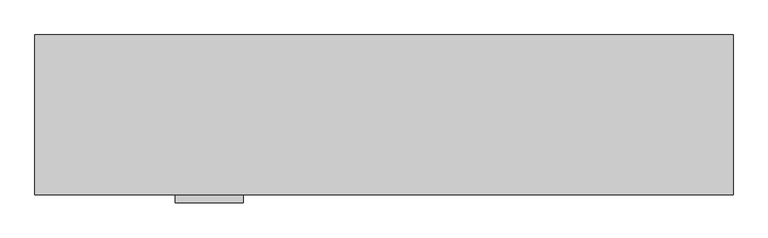
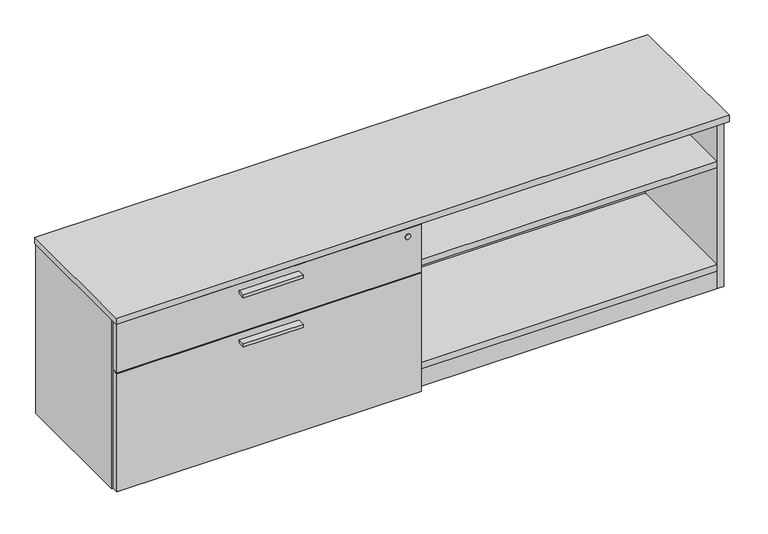
"""IFC4 building model written with IfcOpenShell, lengths in millimetres: furniture geometry."""

import ifcopenshell
import ifcopenshell.guid

model = None  # the IFC model being written
_history = None  # IfcOwnerHistory: only IFC2X3 demands one
_inside = {}  # id of a spatial element -> (the spatial element, [elements in it])
_under = {}  # id of a project, library or spatial element -> (it, [spatial elements below it])
_declared = {}  # id of a project -> (the project, [libraries it declares])
_typed = {}  # id of a type object -> (the type object, [elements of that type])
_made_of = {}  # id of a material, layer set ... -> (it, [elements and type objects made of it])


def new_model(schema):
    """Start an empty IFC model of exactly this schema.

    Asked for "IFC4X3", IfcOpenShell would pick the latest addendum, in which some entities
    have other attributes; the version numbers below select the first issue.
    IFC2X3 requires an IfcOwnerHistory on every rooted entity: one is made here for all.
    """
    global model, _history
    if schema == "IFC4X3":
        model = ifcopenshell.file(schema_version=(4, 3, 0, 0))
    else:
        model = ifcopenshell.file(schema=schema)
    _inside.clear()
    _under.clear()
    _declared.clear()
    _typed.clear()
    _made_of.clear()
    _history = None
    if model.schema == "IFC2X3":
        org = make("IfcOrganization", Name="unknown")
        user = make(
            "IfcPersonAndOrganization",
            ThePerson=make("IfcPerson", FamilyName="unknown"),
            TheOrganization=org,
        )
        app = make(
            "IfcApplication",
            ApplicationDeveloper=org,
            Version="unknown",
            ApplicationFullName="unknown",
            ApplicationIdentifier="unknown",
        )
        _history = make(
            "IfcOwnerHistory",
            OwningUser=user,
            OwningApplication=app,
            ChangeAction="ADDED",
            CreationDate=0,
        )
    return model


def make(cls, **values):
    """One entity of the class cls with the attributes given. An attribute that is None is left unset."""
    return model.create_entity(
        cls, **{name: value for name, value in values.items() if value is not None}
    )


def rooted(cls, **values):
    """An entity with a GlobalId (a new one), such as an element, a storey or a relation."""
    return make(cls, GlobalId=ifcopenshell.guid.new(), OwnerHistory=_history, **values)


def si_unit(unit_type, name, prefix=None):
    """IfcSIUnit, for example si_unit("LENGTHUNIT", "METRE", prefix="MILLI")."""
    return make("IfcSIUnit", UnitType=unit_type, Prefix=prefix, Name=name)


def assignment(units):
    """IfcUnitAssignment: the units of a project."""
    return None if units is None else make("IfcUnitAssignment", Units=units)


def point(xyz):
    """IfcCartesianPoint."""
    return None if xyz is None else make("IfcCartesianPoint", Coordinates=xyz)


def direction(xyz):
    """IfcDirection."""
    return None if xyz is None else make("IfcDirection", DirectionRatios=xyz)


def frame(location, z_axis=None, x_axis=None):
    """IfcAxis2Placement3D, a coordinate frame: its origin and axes. An axis left out is left unset."""
    return make(
        "IfcAxis2Placement3D",
        Location=point(location),
        Axis=direction(z_axis),
        RefDirection=direction(x_axis),
    )


def frame_2d(location, x_axis=None):
    """IfcAxis2Placement2D, a coordinate frame in the plane: its origin and x axis."""
    return make(
        "IfcAxis2Placement2D", Location=point(location), RefDirection=direction(x_axis)
    )


def origin():
    """The frame at (0, 0, 0) with its axes left unset."""
    return frame((0.0, 0.0, 0.0))


def origin_with_axes():
    """The frame at (0, 0, 0) with the z axis (0, 0, 1) and the x axis (1, 0, 0) written out."""
    return frame((0.0, 0.0, 0.0), z_axis=(0.0, 0.0, 1.0), x_axis=(1.0, 0.0, 0.0))


def place(relative_to, where):
    """IfcLocalPlacement: puts the frame where relative to a parent placement (None: the world)."""
    return make(
        "IfcLocalPlacement", PlacementRelTo=relative_to, RelativePlacement=where
    )


def context(
    kind, dimensions, precision=None, world=None, true_north=None, identifier=None
):
    """IfcGeometricRepresentationContext, for example the 3D "Model" context."""
    return make(
        "IfcGeometricRepresentationContext",
        ContextIdentifier=identifier,
        ContextType=kind,
        CoordinateSpaceDimension=dimensions,
        Precision=precision,
        WorldCoordinateSystem=world,
        TrueNorth=true_north,
    )


def project(units=None, contexts=None):
    """IfcProject with its units and contexts."""
    return rooted(
        "IfcProject",
        Name="project",
        RepresentationContexts=contexts,
        UnitsInContext=assignment(units),
    )


def spatial(cls, under=None, at=None, **own):
    """A site, building, storey or space (cls), placed at a placement, below another one or the project."""
    s = rooted(cls, ObjectPlacement=at, **own)
    if under is not None:
        _under.setdefault(under.id(), (under, []))[1].append(s)
    return s


def polyline(points):
    """IfcPolyline through the points."""
    return make("IfcPolyline", Points=[point(p) for p in points])


def circle_curve(where, radius):
    """IfcCircle in the frame where."""
    return make("IfcCircle", Position=where, Radius=radius)


def trimmed(basis, trim1, trim2, sense, master):
    """IfcTrimmedCurve: the piece of a basis curve between two trims."""
    return make(
        "IfcTrimmedCurve",
        BasisCurve=basis,
        Trim1=trim1,
        Trim2=trim2,
        SenseAgreement=sense,
        MasterRepresentation=master,
    )


def segment(curve, same_sense, transition):
    """IfcCompositeCurveSegment."""
    return make(
        "IfcCompositeCurveSegment",
        Transition=transition,
        SameSense=same_sense,
        ParentCurve=curve,
    )


def composite_curve(segments, self_intersect=None):
    """IfcCompositeCurve: segments joined end to end."""
    return make("IfcCompositeCurve", Segments=segments, SelfIntersect=self_intersect)


def outline(outer, holes=None, kind="AREA"):
    """IfcArbitraryClosedProfileDef: a profile drawn as a closed curve; with holes, ...WithVoids."""
    if holes is None:
        return make("IfcArbitraryClosedProfileDef", ProfileType=kind, OuterCurve=outer)
    return make(
        "IfcArbitraryProfileDefWithVoids",
        ProfileType=kind,
        OuterCurve=outer,
        InnerCurves=holes,
    )


def extrude(swept, where, along, depth):
    """IfcExtrudedAreaSolid: the profile swept, set in the frame where, extruded along a direction by depth."""
    return make(
        "IfcExtrudedAreaSolid",
        SweptArea=swept,
        Position=where,
        ExtrudedDirection=direction(along),
        Depth=depth,
    )


def shape(context_of_items, identifier, shape_type, items):
    """IfcShapeRepresentation: the items that make up one representation, for example the "Body"."""
    return make(
        "IfcShapeRepresentation",
        ContextOfItems=context_of_items,
        RepresentationIdentifier=identifier,
        RepresentationType=shape_type,
        Items=items,
    )


def source(mapping_origin, context_of_items, identifier, shape_type, items):
    """IfcRepresentationMap: a shape defined once, which mapped items show again and again."""
    return make(
        "IfcRepresentationMap",
        MappingOrigin=mapping_origin,
        MappedRepresentation=shape(context_of_items, identifier, shape_type, items),
    )


def transform(
    local_origin,
    x_axis=None,
    y_axis=None,
    z_axis=None,
    scale=None,
    scale2=None,
    scale3=None,
    uniform=True,
):
    """IfcCartesianTransformationOperator3D, or its non-uniform kind. x_axis, y_axis, z_axis: its Axis1, 2, 3."""
    if uniform:
        return make(
            "IfcCartesianTransformationOperator3D",
            Axis1=direction(x_axis),
            Axis2=direction(y_axis),
            LocalOrigin=point(local_origin),
            Scale=scale,
            Axis3=direction(z_axis),
        )
    return make(
        "IfcCartesianTransformationOperator3DnonUniform",
        Axis1=direction(x_axis),
        Axis2=direction(y_axis),
        LocalOrigin=point(local_origin),
        Scale=scale,
        Axis3=direction(z_axis),
        Scale2=scale2,
        Scale3=scale3,
    )


def mapped(mapping_source, mapping_target):
    """IfcMappedItem: shows the shape of a source again, moved by a transform."""
    return make(
        "IfcMappedItem", MappingSource=mapping_source, MappingTarget=mapping_target
    )


def made_of(thing, what):
    """Note that an element or type object is made of a material, layer set ...; save() writes the relation."""
    if what is not None:
        _made_of.setdefault(what.id(), (what, []))[1].append(thing)
    return thing


def element(
    cls,
    number,
    at=None,
    inside=None,
    cuts=None,
    type_object=None,
    material=None,
    context=None,
    identifier="Body",
    shape_type=None,
    held_by="IfcProductDefinitionShape",
    body=None,
    shapes=None,
    **own,
):
    """One element of the class cls, such as IfcWall. Its Tag is "e" and its number.

    at: its placement. inside: the storey or other place that contains it. cuts: it is an
    opening in that element (IfcRelVoidsElement). A single representation is given by context,
    identifier, shape_type and body (its items); several are given by shapes. held_by: the class
    of the entity that holds the representations. save() writes the other relations.
    """
    e = rooted(cls, Tag="e%d" % number, ObjectPlacement=at, **own)
    if body is not None:
        shapes = [shape(context, identifier, shape_type, body)]
    if shapes is not None:
        e.Representation = make(held_by, Representations=shapes)
    if inside is not None:
        _inside.setdefault(inside.id(), (inside, []))[1].append(e)
    if cuts is not None:
        rooted(
            "IfcRelVoidsElement", RelatingBuildingElement=cuts, RelatedOpeningElement=e
        )
    if type_object is not None:
        _typed.setdefault(type_object.id(), (type_object, []))[1].append(e)
    return made_of(e, material)


def aggregate(whole, parts):
    """IfcRelAggregates: a whole, such as a stair, and the parts it consists of."""
    return rooted("IfcRelAggregates", RelatingObject=whole, RelatedObjects=parts)


def save(model, path):
    """Write the relations noted so far, then the file.

    IfcRelAggregates (storeys below a building ...), IfcRelContainedInSpatialStructure (elements
    in a storey), IfcRelDefinesByType, IfcRelAssociatesMaterial and IfcRelDeclares: one each for
    every whole, place, type object, material and project.
    """
    for whole, parts in _under.values():
        aggregate(whole, parts)
    for where, things in _inside.values():
        rooted(
            "IfcRelContainedInSpatialStructure",
            RelatedElements=things,
            RelatingStructure=where,
        )
    for kind, things in _typed.values():
        rooted("IfcRelDefinesByType", RelatedObjects=things, RelatingType=kind)
    for what, things in _made_of.values():
        rooted("IfcRelAssociatesMaterial", RelatedObjects=things, RelatingMaterial=what)
    for by, libraries in _declared.values():
        rooted("IfcRelDeclares", RelatingContext=by, RelatedDefinitions=libraries)
    model.write(path)


def furniture_1df76005(model_context):
    return source(origin(), model_context, "Body", "SweptSolid", [
        extrude(outline(polyline([(546.0365, -447.8158592), (368.2365, -447.8158592), (368.2365, -425.5908592), (546.0365, -425.5908592), (546.0365, -447.8158592)])), frame((0.0, 0.0, 351.0330729), z_axis=(0.0, 0.0, 1.0), x_axis=(1.0, 0.0, 0.0)), (0.0, 0.0, 1.0), 9.525),
        extrude(outline(polyline([(546.0365, -447.8158592), (368.2365, -447.8158592), (368.2365, -425.5908592), (546.0365, -425.5908592), (546.0365, -447.8158592)])), frame((0.0, 0.0, 506.1508939), z_axis=(0.0, 0.0, 1.0), x_axis=(1.0, 0.0, 0.0)), (0.0, 0.0, 1.0), 9.525),
        extrude(outline(composite_curve([segment(trimmed(circle_curve(frame_2d((914.4, -217.6283713)), 4.445), [point((918.845, -217.6283713))], [point((909.955, -217.6283713))], False, "CARTESIAN"), True, "CONTINUOUS"), segment(trimmed(circle_curve(frame_2d((914.4, -217.6283713)), 4.445), [point((909.955, -217.6283713))], [point((918.845, -217.6283713))], False, "CARTESIAN"), True, "CONTINUOUS")], self_intersect=False)), frame((0.0, 0.0, 7.112), z_axis=(0.0, 0.0, 1.0), x_axis=(1.0, 0.0, 0.0)), (0.0, 0.0, 1.0), 2.032),
        extrude(outline(polyline([(920.0872187, -207.7297009), (925.8022187, -217.6283713), (920.0872187, -227.5270417), (908.6572187, -227.5270417), (902.9422187, -217.6283713), (908.6572187, -207.7297009), (920.0872187, -207.7297009)])), origin_with_axes(), (0.0, 0.0, 1.0), 9.144),
        extrude(outline(composite_curve([segment(trimmed(circle_curve(frame_2d((876.173, -246.2033713)), 3.175), [point((876.173, -249.3783713))], [point((872.998, -246.2033713))], False, "CARTESIAN"), True, "CONTINUOUS"), segment(polyline([(872.998, -246.2033713), (872.998, -189.0533713)]), True, "CONTINUOUS"), segment(trimmed(circle_curve(frame_2d((876.173, -189.0533713)), 3.175), [point((872.998, -189.0533713))], [point((876.173, -185.8783713))], False, "CARTESIAN"), True, "CONTINUOUS"), segment(polyline([(876.173, -185.8783713), (952.627, -185.8783713)]), True, "CONTINUOUS"), segment(trimmed(circle_curve(frame_2d((952.627, -189.0533713)), 3.175), [point((952.627, -185.8783713))], [point((955.802, -189.0533713))], False, "CARTESIAN"), True, "CONTINUOUS"), segment(polyline([(955.802, -189.0533713), (955.802, -246.2033713)]), True, "CONTINUOUS"), segment(trimmed(circle_curve(frame_2d((952.627, -246.2033713)), 3.175), [point((955.802, -246.2033713))], [point((952.627, -249.3783713))], False, "CARTESIAN"), True, "CONTINUOUS"), segment(polyline([(952.627, -249.3783713), (876.173, -249.3783713)]), True, "CONTINUOUS")], self_intersect=False)), frame((0.0, 0.0, 58.3692), z_axis=(0.0, 0.0, 1.0), x_axis=(1.0, 0.0, 0.0)), (0.0, 0.0, 1.0), 1.89738),
        extrude(outline(composite_curve([segment(polyline([(925.83, -230.3283713), (902.97, -230.3283713)]), True, "CONTINUOUS"), segment(trimmed(circle_curve(frame_2d((902.97, -229.0583713)), 1.27), [point((902.97, -230.3283713))], [point((901.7, -229.0583713))], False, "CARTESIAN"), True, "CONTINUOUS"), segment(polyline([(901.7, -229.0583713), (901.7, -206.1983713)]), True, "CONTINUOUS"), segment(trimmed(circle_curve(frame_2d((902.97, -206.1983713)), 1.27), [point((901.7, -206.1983713))], [point((902.97, -204.9283713))], False, "CARTESIAN"), True, "CONTINUOUS"), segment(polyline([(902.97, -204.9283713), (925.83, -204.9283713)]), True, "CONTINUOUS"), segment(trimmed(circle_curve(frame_2d((925.83, -206.1983713)), 1.27), [point((925.83, -204.9283713))], [point((927.1, -206.1983713))], False, "CARTESIAN"), True, "CONTINUOUS"), segment(polyline([(927.1, -206.1983713), (927.1, -229.0583713)]), True, "CONTINUOUS"), segment(trimmed(circle_curve(frame_2d((925.83, -229.0583713)), 1.27), [point((927.1, -229.0583713))], [point((925.83, -230.3283713))], False, "CARTESIAN"), True, "CONTINUOUS")], self_intersect=False)), frame((0.0, 0.0, 9.144), z_axis=(0.0, 0.0, 1.0), x_axis=(1.0, 0.0, 0.0)), (0.0, 0.0, 1.0), 49.2252),
        extrude(outline(polyline([(1766.4692022, -345.6355984), (1782.41706, -336.4280984), (1798.3649178, -345.6355984), (1798.3649178, -364.0505984), (1782.41706, -373.2580984), (1766.4692022, -364.0505984), (1766.4692022, -345.6355984)])), origin_with_axes(), (0.0, 0.0, 1.0), 9.144),
        extrude(outline(polyline([(1766.4692022, -47.1181713), (1782.41706, -37.9106713), (1798.3649178, -47.1181713), (1798.3649178, -65.5331713), (1782.41706, -74.7406713), (1766.4692022, -65.5331713), (1766.4692022, -47.1181713)])), origin_with_axes(), (0.0, 0.0, 1.0), 9.144),
        extrude(outline(polyline([(30.4350822, -345.6355984), (46.38294, -336.4280984), (62.3307978, -345.6355984), (62.3307978, -364.0505984), (46.38294, -373.2580984), (30.4350822, -364.0505984), (30.4350822, -345.6355984)])), origin_with_axes(), (0.0, 0.0, 1.0), 9.144),
        extrude(outline(polyline([(30.4350822, -47.1181713), (46.38294, -37.9106713), (62.3307978, -47.1181713), (62.3307978, -65.5331713), (46.38294, -74.7406713), (30.4350822, -65.5331713), (30.4350822, -47.1181713)])), origin_with_axes(), (0.0, 0.0, 1.0), 9.144),
        extrude(outline(polyline([(1807.9085154, -401.5878548), (20.8915005, -401.5878548), (20.8915005, -382.2838548), (1807.9085154, -382.2838548), (1807.9085154, -401.5878548)])), frame((0.0, 0.0, 4.699), z_axis=(0.0, 0.0, 1.0), x_axis=(1.0, 0.0, 0.0)), (0.0, 0.0, 1.0), 55.56758),
        extrude(outline(polyline([(1807.9085154, -30.4938704), (1807.9085154, -402.7308447), (20.8915005, -402.7308447), (20.8915005, -30.4938704), (1807.9085154, -30.4938704)])), frame((0.0, 0.0, 520.1843787), z_axis=(0.0, 0.0, 1.0), x_axis=(1.0, 0.0, 0.0)), (0.0, 0.0, 1.0), 19.304),
        extrude(outline(polyline([(912.6855, -30.4938704), (912.6855, -401.5878548), (893.3815, -401.5878548), (893.3815, -30.4938704), (912.6855, -30.4938704)])), frame((0.0, 0.0, 79.57058), z_axis=(0.0, 0.0, 1.0), x_axis=(1.0, 0.0, 0.0)), (0.0, 0.0, 1.0), 440.6137987),
        extrude(outline(polyline([(3.175, -406.2868776), (911.098, -406.2868776), (911.098, -425.5908592), (3.175, -425.5908592), (3.175, -406.2868776)])), frame((0.0, 0.0, 384.3705787), z_axis=(0.0, 0.0, 1.0), x_axis=(1.0, 0.0, 0.0)), (0.0, 0.0, 1.0), 151.9428152),
        extrude(outline(polyline([(3.175, -406.2868776), (911.098, -406.2868776), (911.098, -425.5908592), (3.175, -425.5908592), (3.175, -406.2868776)])), frame((0.0, 0.0, 7.874), z_axis=(0.0, 0.0, 1.0), x_axis=(1.0, 0.0, 0.0)), (0.0, 0.0, 1.0), 373.3215729),
        extrude(outline(polyline([(1807.9085, -30.4938704), (1807.9085, -400.8258374), (912.6855, -400.8258374), (912.6855, -30.4938704), (1807.9085, -30.4938704)])), frame((0.0, 0.0, 384.3705787), z_axis=(0.0, 0.0, 1.0), x_axis=(1.0, 0.0, 0.0)), (0.0, 0.0, 1.0), 19.304),
        extrude(outline(polyline([(1828.8, -8.0783713), (1828.8, -427.1783713), (0.0, -427.1783713), (0.0, -8.0783713), (1828.8, -8.0783713)])), frame((0.0, 0.0, 539.4883818), z_axis=(0.0, 0.0, 1.0), x_axis=(1.0, 0.0, 0.0)), (0.0, 0.0, 1.0), 19.0499969),
        extrude(outline(polyline([(1807.9085154, -30.4938704), (1807.9085154, -402.7308447), (20.8915005, -402.7308447), (20.8915005, -30.4938704), (1807.9085154, -30.4938704)])), frame((0.0, 0.0, 60.26658), z_axis=(0.0, 0.0, 1.0), x_axis=(1.0, 0.0, 0.0)), (0.0, 0.0, 1.0), 19.304),
        extrude(outline(polyline([(1807.9085154, -11.1898712), (1807.9085154, -30.4938704), (20.8915005, -30.4938704), (20.8915005, -11.1898712), (1807.9085154, -11.1898712)])), frame((0.0, 0.0, 4.699), z_axis=(0.0, 0.0, 1.0), x_axis=(1.0, 0.0, 0.0)), (0.0, 0.0, 1.0), 534.7893787),
        extrude(outline(polyline([(20.8915005, -9.6658713), (20.8915005, -403.1118534), (1.5875, -403.1118534), (1.5875, -9.6658713), (20.8915005, -9.6658713)])), frame((0.0, 0.0, 4.699), z_axis=(0.0, 0.0, 1.0), x_axis=(1.0, 0.0, 0.0)), (0.0, 0.0, 1.0), 534.7893787),
        extrude(outline(polyline([(1807.9085154, -9.6658713), (1827.2125158, -9.6658713), (1827.2125158, -403.1118534), (1807.9085154, -403.1118534), (1807.9085154, -9.6658713)])), frame((0.0, 0.0, 4.699), z_axis=(0.0, 0.0, 1.0), x_axis=(1.0, 0.0, 0.0)), (0.0, 0.0, 1.0), 534.7893787),
        extrude(outline(composite_curve([segment(trimmed(circle_curve(frame_2d((510.9133939, 871.093)), 8.001), [point((510.9133939, 879.094))], [point((510.9133939, 863.092))], False, "CARTESIAN"), True, "CONTINUOUS"), segment(trimmed(circle_curve(frame_2d((510.9133939, 871.093)), 8.001), [point((510.9133939, 863.092))], [point((510.9133939, 879.094))], False, "CARTESIAN"), True, "CONTINUOUS")], self_intersect=False)), frame((0.0, -427.1783713, 0.0), z_axis=(0.0, 1.0, 0.0), x_axis=(0.0, 0.0, 1.0)), (0.0, 0.0, 1.0), 1.5875121),
    ])


if __name__ == "__main__":
    model = new_model("IFC4")
    model_context = context("Model", 3, world=origin())
    ifc_project = project(units=[si_unit("LENGTHUNIT", "METRE", prefix="MILLI")], contexts=[model_context])
    site = spatial("IfcSite", under=ifc_project)
    building = spatial("IfcBuilding", under=site)
    placement = place(None, origin())
    furniture_shape = furniture_1df76005(model_context)
    element("IfcFurniture", 1, at=placement, inside=building, context=model_context, shape_type="MappedRepresentation", body=[
        mapped(furniture_shape, transform((0.0, 0.0, 0.0), x_axis=(1.0, 0.0, 0.0), y_axis=(0.0, 1.0, 0.0), z_axis=(0.0, 0.0, 1.0))),
    ])
    save(model, "model.ifc")
